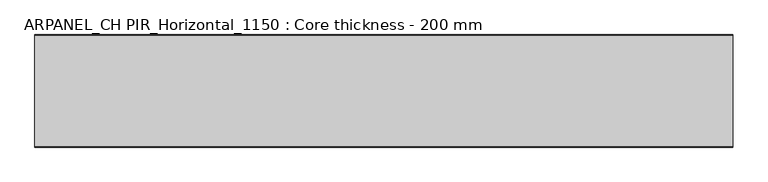
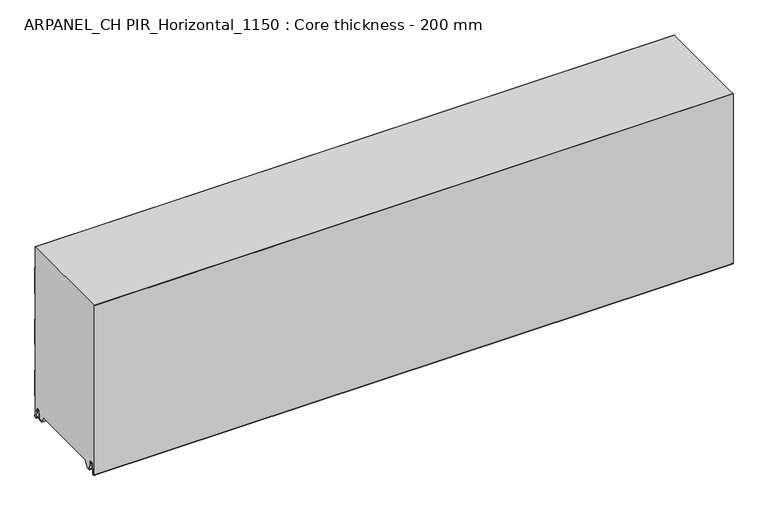
"""IFC4 building model written with IfcOpenShell, lengths in millimetres: plate geometry, ARPANEL_CH PIR_Horizontal_1150 : Core thickness - 200 mm."""

from ifc_helpers import new_model, si_unit, frame, origin, place, context, project, spatial, polyline, circle_curve, source, transform, mapped, element, save
from ifc_brep_helpers import plane_surface, cylinder_surface, revolved_surface, advanced_brep


def arpanel_ch_pir_horizontal_1150_core_thickness_200_mm_32c0531c(model_context):
    return source(origin(), model_context, "Body", "AdvancedBrep", [
        advanced_brep(
        [(620.0, -199.9996949, 3.0900682), (620.0, -193.81449, 2.7875612), (620.0, -192.197116, 19.2828169), (620.0, -189.1776715, 21.9898782), (620.0, -186.1582271, 19.2828169), (620.0, -184.7725998, 5.1510966), (620.0, -180.3830995, 5.365779), (620.0, -181.1830995, 5.365779), (620.0, -183.9764178, 5.2291629), (620.0, -185.3620451, 19.3608832), (620.0, -189.1776715, 22.7899182), (620.0, -192.9932979, 19.3608832), (620.0, -194.6106719, 2.8656275), (620.0, -199.1996949, 3.0900682), (620.0, -199.2, 350.0), (620.0, -199.9996949, 350.0), (-620.0, -199.1996949, 3.0900682), (-620.0, -194.6106719, 2.8656275), (-620.0, -192.9932979, 19.3608832), (-620.0, -189.1776715, 22.7899182), (-620.0, -185.3620451, 19.3608832), (-620.0, -183.9764178, 5.2291629), (-620.0, -181.1830995, 5.365779), (-620.0, -180.3830995, 5.365779), (-620.0, -184.7725998, 5.1510966), (-620.0, -186.1582271, 19.2828169), (-620.0, -189.1776715, 21.9898782), (-620.0, -192.197116, 19.2828169), (-620.0, -193.81449, 2.7875612), (-620.0, -199.9996949, 3.0900682), (-620.0, -199.9996949, 350.0), (-620.0, -199.2, 350.0)],
        [
            (0, 1, circle_curve(frame((620.0, -196.8996949, 3.0900682), z_axis=(1.0, 0.0, 0.0), x_axis=(0.0, 0.0, -1.0)), 3.1)),
            (1, 2),
            (2, 3, circle_curve(frame((620.0, -189.2114338, 18.9900682), z_axis=(-1.0, 0.0, 0.0), x_axis=(0.0, 0.0, -1.0)), 3.0)),
            (3, 4, circle_curve(frame((620.0, -189.1439093, 18.9900682), z_axis=(-1.0, 0.0, 0.0), x_axis=(0.0, 0.0, -1.0)), 3.0)),
            (4, 5),
            (5, 6, circle_curve(frame((620.0, -182.5830995, 5.365779), z_axis=(1.0, 0.0, 0.0), x_axis=(0.0, 0.0, -1.0)), 2.2)),
            (6, 7),
            (7, 8, circle_curve(frame((620.0, -182.5830995, 5.365779), z_axis=(-1.0, 0.0, 0.0), x_axis=(0.0, 0.0, -1.0)), 1.4)),
            (8, 9),
            (9, 10, circle_curve(frame((620.0, -189.1439093, 18.9900682), z_axis=(1.0, 0.0, 0.0), x_axis=(0.0, 0.0, -1.0)), 3.8)),
            (10, 11, circle_curve(frame((620.0, -189.2114338, 18.9900682), z_axis=(1.0, 0.0, 0.0), x_axis=(0.0, 0.0, -1.0)), 3.8)),
            (11, 12),
            (12, 13, circle_curve(frame((620.0, -196.8996949, 3.0900682), z_axis=(-1.0, 0.0, 0.0), x_axis=(0.0, 0.0, -1.0)), 2.3)),
            (13, 14),
            (14, 15),
            (15, 0),
            (16, 17, circle_curve(frame((-620.0, -196.8996949, 3.0900682), z_axis=(1.0, 0.0, 0.0), x_axis=(0.0, 0.0, -1.0)), 2.3)),
            (17, 18),
            (18, 19, circle_curve(frame((-620.0, -189.2114338, 18.9900682), z_axis=(-1.0, 0.0, 0.0), x_axis=(0.0, 0.0, -1.0)), 3.8)),
            (19, 20, circle_curve(frame((-620.0, -189.1439093, 18.9900682), z_axis=(-1.0, 0.0, 0.0), x_axis=(0.0, 0.0, -1.0)), 3.8)),
            (20, 21),
            (21, 22, circle_curve(frame((-620.0, -182.5830995, 5.365779), z_axis=(1.0, 0.0, 0.0), x_axis=(0.0, 0.0, -1.0)), 1.4)),
            (22, 23),
            (23, 24, circle_curve(frame((-620.0, -182.5830995, 5.365779), z_axis=(-1.0, 0.0, 0.0), x_axis=(0.0, 0.0, -1.0)), 2.2)),
            (24, 25),
            (25, 26, circle_curve(frame((-620.0, -189.1439093, 18.9900682), z_axis=(1.0, 0.0, 0.0), x_axis=(0.0, 0.0, -1.0)), 3.0)),
            (26, 27, circle_curve(frame((-620.0, -189.2114338, 18.9900682), z_axis=(1.0, 0.0, 0.0), x_axis=(0.0, 0.0, -1.0)), 3.0)),
            (27, 28),
            (28, 29, circle_curve(frame((-620.0, -196.8996949, 3.0900682), z_axis=(-1.0, 0.0, 0.0), x_axis=(0.0, 0.0, -1.0)), 3.1)),
            (29, 30),
            (30, 31),
            (31, 16),
            (13, 16),
            (31, 14),
            (29, 0),
            (15, 30),
            (12, 17),
            (11, 18),
            (10, 19),
            (9, 20),
            (8, 21),
            (7, 22),
            (6, 23),
            (5, 24),
            (4, 25),
            (3, 26),
            (2, 27),
            (1, 28),
        ],
        [
            plane_surface(frame((620.0, -200.0, 0.0), z_axis=(1.0, 0.0, 0.0), x_axis=(0.0, 1.0, 0.0))),
            plane_surface(frame((-620.0, -200.0, 0.0), z_axis=(-1.0, 0.0, 0.0), x_axis=(0.0, 1.0, 0.0))),
            plane_surface(frame((620.0, -199.2, 3.0900682), z_axis=(0.0, 1.0, 0.0), x_axis=(-1.0, 0.0, 0.0))),
            plane_surface(frame((620.0, -199.9996949, 1143.9000005), z_axis=(0.0, -1.0, 0.0), x_axis=(-1.0, 0.0, 0.0))),
            revolved_surface(polyline([(-620.0, -196.8996949, 0.7900682000000003), (620.0, -196.8996949, 0.7900682000000003)]), (620.0, -196.8996949, 3.0900682), (-1.0, 0.0, 0.0)),
            plane_surface(frame((620.0, -192.9932979, 19.3608832), z_axis=(0.0, -0.9952273999818314, 0.09758289975914787), x_axis=(-1.0, 0.0, 0.0))),
            cylinder_surface(frame((620.0, -189.2114338, 18.9900682), z_axis=(1.0, 0.0, 0.0), x_axis=(0.0, 0.0, -1.0)), 3.8),
            cylinder_surface(frame((620.0, -189.1439093, 18.9900682), z_axis=(1.0, 0.0, 0.0), x_axis=(0.0, 0.0, -1.0)), 3.8),
            plane_surface(frame((620.0, -183.9764178, 5.2291629), z_axis=(0.0, 0.9952273999818297, 0.09758289975916531), x_axis=(-1.0, 0.0, 0.0))),
            revolved_surface(polyline([(-620.0, -182.5830995, 3.965779), (620.0, -182.5830995, 3.965779)]), (620.0, -182.5830995, 5.365779), (-1.0, 0.0, 0.0)),
            plane_surface(frame((620.0, -180.3830995, 5.365779), z_axis=(0.0, 0.0, 1.0), x_axis=(-1.0, 0.0, 0.0))),
            cylinder_surface(frame((620.0, -182.5830995, 5.365779), z_axis=(1.0, 0.0, 0.0), x_axis=(0.0, 0.0, -1.0)), 2.2),
            plane_surface(frame((620.0, -186.1582271, 19.2828169), z_axis=(0.0, -0.9952273999818296, -0.09758289975916527), x_axis=(-1.0, 0.0, 0.0))),
            revolved_surface(polyline([(-620.0, -189.1439093, 15.9900682), (620.0, -189.1439093, 15.9900682)]), (620.0, -189.1439093, 18.9900682), (-1.0, 0.0, 0.0)),
            revolved_surface(polyline([(-620.0, -189.2114338, 15.9900682), (620.0, -189.2114338, 15.9900682)]), (620.0, -189.2114338, 18.9900682), (-1.0, 0.0, 0.0)),
            plane_surface(frame((620.0, -193.81449, 2.7875612), z_axis=(0.0, 0.9952273999818314, -0.09758289975914787), x_axis=(-1.0, 0.0, 0.0))),
            cylinder_surface(frame((620.0, -196.8996949, 3.0900682), z_axis=(1.0, 0.0, 0.0), x_axis=(0.0, 0.0, -1.0)), 3.1),
            plane_surface(frame((-620.0, 134.0533409, 350.0), z_axis=(0.0, 0.0, 1.0), x_axis=(1.0, 0.0, 0.0))),
        ],
        [
            (0, [[1, 2, 3, 4, 5, 6, 7, 8, 9, 10, 11, 12, 13, 14, 15, 16]]),
            (1, [[17, 18, 19, 20, 21, 22, 23, 24, 25, 26, 27, 28, 29, 30, 31, 32]]),
            (2, [[33, -32, 34, -14]]),
            (3, [[35, -16, 36, -30]]),
            (4, [[-13, 37, -17, -33]]),
            (5, [[-12, 38, -18, -37]]),
            (6, [[-11, 39, -19, -38]]),
            (7, [[-10, 40, -20, -39]]),
            (8, [[-9, 41, -21, -40]]),
            (9, [[-8, 42, -22, -41]]),
            (10, [[-7, 43, -23, -42]]),
            (11, [[-6, 44, -24, -43]]),
            (12, [[-5, 45, -25, -44]]),
            (13, [[-4, 46, -26, -45]]),
            (14, [[-3, 47, -27, -46]]),
            (15, [[-2, 48, -28, -47]]),
            (16, [[-1, -35, -29, -48]]),
            (17, [[-15, -34, -31, -36]]),
        ],
    ),
        advanced_brep(
        [(620.0, -169.873448, 15.1417681), (620.0, -30.126552, 15.1417681), (620.0, -23.4071318, 3.165779), (620.0, -17.4169005, 3.165779), (620.0, -19.6169005, 5.365779), (620.0, -18.8169005, 5.365779), (620.0, -16.0235822, 5.2291629), (620.0, -14.6379549, 19.3608832), (620.0, -10.8223285, 22.7899182), (620.0, -7.0067021, 19.3608832), (620.0, -5.3893281, 2.8656275), (620.0, -1.0794848, 4.1883784), (620.0, -1.5003051, 5.8439114), (620.0, -1.5003051, 42.0511837), (620.0, -1.0971009, 43.4705951), (620.0, -0.8, 44.5229805), (620.0, -0.8, 94.6827637), (620.0, -1.0986697, 95.7341795), (620.0, -1.5003051, 97.1545605), (620.0, -1.5003051, 147.3143437), (620.0, -1.0971009, 148.7337551), (620.0, -0.8, 149.7861405), (620.0, -0.8, 199.9459237), (620.0, -1.0986697, 200.9973395), (620.0, -1.5003051, 202.4177205), (620.0, -1.5003051, 252.5775037), (620.0, -1.0971009, 253.9969151), (620.0, -0.8, 255.0493005), (620.0, -0.8, 305.2090837), (620.0, -1.0986697, 306.2604995), (620.0, -1.5003051, 307.6808805), (620.0, -1.5003051, 350.0), (620.0, -199.2, 350.0), (620.0, -199.2, 3.0900682), (620.0, -194.6106719, 2.8656275), (620.0, -192.9932979, 19.3608832), (620.0, -189.1776715, 22.7899182), (620.0, -185.3620451, 19.3608832), (620.0, -183.9764178, 5.2291629), (620.0, -181.1830995, 5.365779), (620.0, -180.3830995, 5.365779), (620.0, -182.5830995, 3.165779), (620.0, -176.5928682, 3.165779), (-620.0, -30.126552, 15.1417681), (-620.0, -169.873448, 15.1417681), (-620.0, -176.5928682, 3.165779), (-620.0, -182.5830995, 3.165779), (-620.0, -180.3830995, 5.365779), (-620.0, -181.1830995, 5.365779), (-620.0, -183.9764178, 5.2291629), (-620.0, -185.3620451, 19.3608832), (-620.0, -189.1776715, 22.7899182), (-620.0, -192.9932979, 19.3608832), (-620.0, -194.6106719, 2.8656275), (-620.0, -199.1996949, 3.0900682), (-620.0, -199.2, 350.0), (-620.0, -1.5003051, 350.0), (-620.0, -1.5003051, 307.6808805), (-620.0, -1.0971009, 306.2614691), (-620.0, -0.8, 305.2090837), (-620.0, -0.8, 255.0493005), (-620.0, -1.0986697, 253.9978846), (-620.0, -1.5003051, 252.5775037), (-620.0, -1.5003051, 202.4177205), (-620.0, -1.0971009, 200.9983091), (-620.0, -0.8, 199.9459237), (-620.0, -0.8, 149.7861405), (-620.0, -1.0986697, 148.7347246), (-620.0, -1.5003051, 147.3143437), (-620.0, -1.5003051, 97.1545605), (-620.0, -1.0971009, 95.7351491), (-620.0, -0.8, 94.6827637), (-620.0, -0.8, 44.5229805), (-620.0, -1.0986697, 43.4715646), (-620.0, -1.5003051, 42.0511837), (-620.0, -1.5003051, 5.8439114), (-620.0, -1.0794848, 4.1883784), (-620.0, -5.3893281, 2.8656275), (-620.0, -7.0067021, 19.3608832), (-620.0, -10.8223285, 22.7899182), (-620.0, -14.6379549, 19.3608832), (-620.0, -16.0235822, 5.2291629), (-620.0, -18.8169005, 5.365779), (-620.0, -19.6169005, 5.365779), (-620.0, -17.4169005, 3.165779), (-620.0, -23.4071318, 3.165779)],
        [
            (0, 1),
            (1, 2),
            (2, 3),
            (3, 4, circle_curve(frame((620.0, -17.4169005, 5.365779), z_axis=(-1.0, 0.0, 0.0), x_axis=(0.0, 0.0, -1.0)), 2.2)),
            (4, 5),
            (5, 6, circle_curve(frame((620.0, -17.4169005, 5.365779), z_axis=(1.0, 0.0, 0.0), x_axis=(0.0, 0.0, -1.0)), 1.4)),
            (6, 7),
            (7, 8, circle_curve(frame((620.0, -10.8560907, 18.9900682), z_axis=(-1.0, 0.0, 0.0), x_axis=(0.0, 0.0, -1.0)), 3.8)),
            (8, 9, circle_curve(frame((620.0, -10.7885662, 18.9900682), z_axis=(-1.0, 0.0, 0.0), x_axis=(0.0, 0.0, -1.0)), 3.8)),
            (9, 10),
            (10, 11, circle_curve(frame((620.0, -3.1003051, 3.0900682), z_axis=(1.0, 0.0, 0.0), x_axis=(0.0, 0.0, -1.0)), 2.3)),
            (11, 12, circle_curve(frame((620.0, 1.9665895, 5.8439114), z_axis=(-1.0, 0.0, 0.0), x_axis=(0.0, 0.0, -1.0)), 3.4668946)),
            (12, 13),
            (13, 14, circle_curve(frame((620.0, 1.1996949, 42.0511837), z_axis=(-1.0, 0.0, 0.0), x_axis=(0.0, 0.0, -1.0)), 2.7)),
            (14, 15, circle_curve(frame((620.0, -2.8, 44.5229805), z_axis=(1.0, 0.0, 0.0), x_axis=(0.0, 0.0, -1.0)), 2.0)),
            (15, 16),
            (16, 17, circle_curve(frame((620.0, -2.8, 94.6827637), z_axis=(1.0, 0.0, 0.0), x_axis=(0.0, 0.0, -1.0)), 2.0)),
            (17, 18, circle_curve(frame((620.0, 1.1996949, 97.1545605), z_axis=(-1.0, 0.0, 0.0), x_axis=(0.0, 0.0, -1.0)), 2.7)),
            (18, 19),
            (19, 20, circle_curve(frame((620.0, 1.1996949, 147.3143437), z_axis=(-1.0, 0.0, 0.0), x_axis=(0.0, 0.0, -1.0)), 2.7)),
            (20, 21, circle_curve(frame((620.0, -2.8, 149.7861405), z_axis=(1.0, 0.0, 0.0), x_axis=(0.0, 0.0, -1.0)), 2.0)),
            (21, 22),
            (22, 23, circle_curve(frame((620.0, -2.8, 199.9459237), z_axis=(1.0, 0.0, 0.0), x_axis=(0.0, 0.0, -1.0)), 2.0)),
            (23, 24, circle_curve(frame((620.0, 1.1996949, 202.4177205), z_axis=(-1.0, 0.0, 0.0), x_axis=(0.0, 0.0, -1.0)), 2.7)),
            (24, 25),
            (25, 26, circle_curve(frame((620.0, 1.1996949, 252.5775037), z_axis=(-1.0, 0.0, 0.0), x_axis=(0.0, 0.0, -1.0)), 2.7)),
            (26, 27, circle_curve(frame((620.0, -2.8, 255.0493005), z_axis=(1.0, 0.0, 0.0), x_axis=(0.0, 0.0, -1.0)), 2.0)),
            (27, 28),
            (28, 29, circle_curve(frame((620.0, -2.8, 305.2090837), z_axis=(1.0, 0.0, 0.0), x_axis=(0.0, 0.0, -1.0)), 2.0)),
            (29, 30, circle_curve(frame((620.0, 1.1996949, 307.6808805), z_axis=(-1.0, 0.0, 0.0), x_axis=(0.0, 0.0, -1.0)), 2.7)),
            (30, 31),
            (31, 32),
            (32, 33),
            (33, 34, circle_curve(frame((620.0, -196.8996949, 3.0900682), z_axis=(1.0, 0.0, 0.0), x_axis=(0.0, 0.0, -1.0)), 2.3)),
            (34, 35),
            (35, 36, circle_curve(frame((620.0, -189.2114338, 18.9900682), z_axis=(-1.0, 0.0, 0.0), x_axis=(0.0, 0.0, -1.0)), 3.8)),
            (36, 37, circle_curve(frame((620.0, -189.1439093, 18.9900682), z_axis=(-1.0, 0.0, 0.0), x_axis=(0.0, 0.0, -1.0)), 3.8)),
            (37, 38),
            (38, 39, circle_curve(frame((620.0, -182.5830995, 5.365779), z_axis=(1.0, 0.0, 0.0), x_axis=(0.0, 0.0, -1.0)), 1.4)),
            (39, 40),
            (40, 41, circle_curve(frame((620.0, -182.5830995, 5.365779), z_axis=(-1.0, 0.0, 0.0), x_axis=(0.0, 0.0, -1.0)), 2.2)),
            (41, 42),
            (42, 0),
            (43, 44),
            (44, 45),
            (45, 46),
            (46, 47, circle_curve(frame((-620.0, -182.5830995, 5.365779), z_axis=(1.0, 0.0, 0.0), x_axis=(0.0, 0.0, -1.0)), 2.2)),
            (47, 48),
            (48, 49, circle_curve(frame((-620.0, -182.5830995, 5.365779), z_axis=(-1.0, 0.0, 0.0), x_axis=(0.0, 0.0, -1.0)), 1.4)),
            (49, 50),
            (50, 51, circle_curve(frame((-620.0, -189.1439093, 18.9900682), z_axis=(1.0, 0.0, 0.0), x_axis=(0.0, 0.0, -1.0)), 3.8)),
            (51, 52, circle_curve(frame((-620.0, -189.2114338, 18.9900682), z_axis=(1.0, 0.0, 0.0), x_axis=(0.0, 0.0, -1.0)), 3.8)),
            (52, 53),
            (53, 54, circle_curve(frame((-620.0, -196.8996949, 3.0900682), z_axis=(-1.0, 0.0, 0.0), x_axis=(0.0, 0.0, -1.0)), 2.3)),
            (54, 55),
            (55, 56),
            (56, 57),
            (57, 58, circle_curve(frame((-620.0, 1.1996949, 307.6808805), z_axis=(1.0, 0.0, 0.0), x_axis=(0.0, 0.0, -1.0)), 2.7)),
            (58, 59, circle_curve(frame((-620.0, -2.8, 305.2090837), z_axis=(-1.0, 0.0, 0.0), x_axis=(0.0, 0.0, -1.0)), 2.0)),
            (59, 60),
            (60, 61, circle_curve(frame((-620.0, -2.8, 255.0493005), z_axis=(-1.0, 0.0, 0.0), x_axis=(0.0, 0.0, -1.0)), 2.0)),
            (61, 62, circle_curve(frame((-620.0, 1.1996949, 252.5775037), z_axis=(1.0, 0.0, 0.0), x_axis=(0.0, 0.0, -1.0)), 2.7)),
            (62, 63),
            (63, 64, circle_curve(frame((-620.0, 1.1996949, 202.4177205), z_axis=(1.0, 0.0, 0.0), x_axis=(0.0, 0.0, -1.0)), 2.7)),
            (64, 65, circle_curve(frame((-620.0, -2.8, 199.9459237), z_axis=(-1.0, 0.0, 0.0), x_axis=(0.0, 0.0, -1.0)), 2.0)),
            (65, 66),
            (66, 67, circle_curve(frame((-620.0, -2.8, 149.7861405), z_axis=(-1.0, 0.0, 0.0), x_axis=(0.0, 0.0, -1.0)), 2.0)),
            (67, 68, circle_curve(frame((-620.0, 1.1996949, 147.3143437), z_axis=(1.0, 0.0, 0.0), x_axis=(0.0, 0.0, -1.0)), 2.7)),
            (68, 69),
            (69, 70, circle_curve(frame((-620.0, 1.1996949, 97.1545605), z_axis=(1.0, 0.0, 0.0), x_axis=(0.0, 0.0, -1.0)), 2.7)),
            (70, 71, circle_curve(frame((-620.0, -2.8, 94.6827637), z_axis=(-1.0, 0.0, 0.0), x_axis=(0.0, 0.0, -1.0)), 2.0)),
            (71, 72),
            (72, 73, circle_curve(frame((-620.0, -2.8, 44.5229805), z_axis=(-1.0, 0.0, 0.0), x_axis=(0.0, 0.0, -1.0)), 2.0)),
            (73, 74, circle_curve(frame((-620.0, 1.1996949, 42.0511837), z_axis=(1.0, 0.0, 0.0), x_axis=(0.0, 0.0, -1.0)), 2.7)),
            (74, 75),
            (75, 76, circle_curve(frame((-620.0, 1.9665895, 5.8439114), z_axis=(1.0, 0.0, 0.0), x_axis=(0.0, 0.0, -1.0)), 3.4668946)),
            (76, 77, circle_curve(frame((-620.0, -3.1003051, 3.0900682), z_axis=(-1.0, 0.0, 0.0), x_axis=(0.0, 0.0, -1.0)), 2.3)),
            (77, 78),
            (78, 79, circle_curve(frame((-620.0, -10.7885662, 18.9900682), z_axis=(1.0, 0.0, 0.0), x_axis=(0.0, 0.0, -1.0)), 3.8)),
            (79, 80, circle_curve(frame((-620.0, -10.8560907, 18.9900682), z_axis=(1.0, 0.0, 0.0), x_axis=(0.0, 0.0, -1.0)), 3.8)),
            (80, 81),
            (81, 82, circle_curve(frame((-620.0, -17.4169005, 5.365779), z_axis=(-1.0, 0.0, 0.0), x_axis=(0.0, 0.0, -1.0)), 1.4)),
            (82, 83),
            (83, 84, circle_curve(frame((-620.0, -17.4169005, 5.365779), z_axis=(1.0, 0.0, 0.0), x_axis=(0.0, 0.0, -1.0)), 2.2)),
            (84, 85),
            (85, 43),
            (1, 43),
            (85, 2),
            (0, 44),
            (42, 45),
            (64, 23),
            (22, 65),
            (63, 24),
            (62, 25),
            (61, 26),
            (60, 27),
            (59, 28),
            (58, 29),
            (57, 30),
            (56, 31),
            (54, 33),
            (32, 55),
            (84, 3),
            (41, 46),
            (83, 4),
            (82, 5),
            (81, 6),
            (80, 7),
            (79, 8),
            (78, 9),
            (77, 10),
            (76, 11),
            (75, 12),
            (74, 13),
            (73, 14),
            (72, 15),
            (71, 16),
            (70, 17),
            (69, 18),
            (68, 19),
            (67, 20),
            (66, 21),
            (53, 34),
            (52, 35),
            (51, 36),
            (50, 37),
            (49, 38),
            (48, 39),
            (47, 40),
        ],
        [
            plane_surface(frame((620.0, 0.0, 0.0), z_axis=(1.0, 0.0, 0.0), x_axis=(0.0, -1.0, 0.0))),
            plane_surface(frame((-620.0, 0.0, 0.0), z_axis=(-1.0, 0.0, 0.0), x_axis=(0.0, -1.0, 0.0))),
            plane_surface(frame((620.0, -30.126552, 15.1417681), z_axis=(0.0, -0.8721062992196836, -0.4893164649399687), x_axis=(-1.0, 0.0, 0.0))),
            plane_surface(frame((620.0, -169.873448, 15.1417681), z_axis=(0.0, 0.0, -1.0), x_axis=(-1.0, 0.0, 0.0))),
            plane_surface(frame((620.0, -176.8190247, 2.7627014), z_axis=(0.0, 0.8721062992196872, -0.4893164649399624), x_axis=(-1.0, 0.0, 0.0))),
            cylinder_surface(frame((750.0, -2.8, 199.9459237), z_axis=(-1.0, 0.0, 0.0), x_axis=(0.0, 0.0, -1.0)), 2.0),
            revolved_surface(polyline([(620.0, 1.1996949, 199.7177205), (-620.0, 1.1996949, 199.7177205)]), (750.0, 1.1996949, 202.4177205), (1.0, 0.0, 0.0)),
            plane_surface(frame((750.0, -1.5003051, 252.5775037), z_axis=(0.0, 1.0, 0.0), x_axis=(-1.0, 0.0, 0.0))),
            revolved_surface(polyline([(620.0, 1.1996949, 249.8775037), (-620.0, 1.1996949, 249.8775037)]), (750.0, 1.1996949, 252.5775037), (1.0, 0.0, 0.0)),
            cylinder_surface(frame((750.0, -2.8, 255.0493005), z_axis=(-1.0, 0.0, 0.0), x_axis=(0.0, 0.0, -1.0)), 2.0),
            plane_surface(frame((750.0, -0.8, 305.2090837), z_axis=(0.0, 1.0, 0.0), x_axis=(-1.0, 0.0, 0.0))),
            cylinder_surface(frame((750.0, -2.8, 305.2090837), z_axis=(-1.0, 0.0, 0.0), x_axis=(0.0, 0.0, -1.0)), 2.0),
            revolved_surface(polyline([(620.0, 1.1996949, 304.9808805), (-620.0, 1.1996949, 304.9808805)]), (750.0, 1.1996949, 307.6808805), (1.0, 0.0, 0.0)),
            plane_surface(frame((750.0, -1.5003051, 357.8406637), z_axis=(0.0, 1.0, 0.0), x_axis=(-1.0, 0.0, 0.0))),
            plane_surface(frame((750.0, -199.2, 3.0900682), z_axis=(0.0, -1.0, 0.0), x_axis=(-1.0, 0.0, 0.0))),
            plane_surface(frame((-620.0, -182.5830995, 3.165779), z_axis=(0.0, 0.0, -1.0), x_axis=(1.0, 0.0, 0.0))),
            revolved_surface(polyline([(620.0, -17.4169005, 3.1657789999999997), (-620.0, -17.4169005, 3.1657789999999997)]), (750.0, -17.4169005, 5.365779), (1.0, 0.0, 0.0)),
            plane_surface(frame((750.0, -18.8169005, 5.365779), z_axis=(0.0, 0.0, -1.0), x_axis=(-1.0, 0.0, 0.0))),
            cylinder_surface(frame((750.0, -17.4169005, 5.365779), z_axis=(-1.0, 0.0, 0.0), x_axis=(0.0, 0.0, -1.0)), 1.4),
            plane_surface(frame((750.0, -14.6379549, 19.3608832), z_axis=(0.0, 0.9952273999818297, -0.09758289975916531), x_axis=(-1.0, 0.0, 0.0))),
            revolved_surface(polyline([(620.0, -10.8560907, 15.190068199999999), (-620.0, -10.8560907, 15.190068199999999)]), (750.0, -10.8560907, 18.9900682), (1.0, 0.0, 0.0)),
            revolved_surface(polyline([(620.0, -10.7885662, 15.190068199999999), (-620.0, -10.7885662, 15.190068199999999)]), (750.0, -10.7885662, 18.9900682), (1.0, 0.0, 0.0)),
            plane_surface(frame((750.0, -5.3893281, 2.8656275), z_axis=(0.0, -0.9952273999818314, -0.09758289975914787), x_axis=(-1.0, 0.0, 0.0))),
            cylinder_surface(frame((750.0, -3.1003051, 3.0900682), z_axis=(-1.0, 0.0, 0.0), x_axis=(0.0, 0.0, -1.0)), 2.3),
            revolved_surface(polyline([(620.0, 1.9665895, 2.3770168), (-620.0, 1.9665895, 2.3770168)]), (750.0, 1.9665895, 5.8439114), (1.0, 0.0, 0.0)),
            plane_surface(frame((750.0, -1.5003051, 42.0511837), z_axis=(0.0, 1.0, 0.0), x_axis=(-1.0, 0.0, 0.0))),
            revolved_surface(polyline([(620.0, 1.1996949, 39.3511837), (-620.0, 1.1996949, 39.3511837)]), (750.0, 1.1996949, 42.0511837), (1.0, 0.0, 0.0)),
            cylinder_surface(frame((750.0, -2.8, 44.5229805), z_axis=(-1.0, 0.0, 0.0), x_axis=(0.0, 0.0, -1.0)), 2.0),
            plane_surface(frame((750.0, -0.8, 94.6827637), z_axis=(0.0, 1.0, 0.0), x_axis=(-1.0, 0.0, 0.0))),
            cylinder_surface(frame((750.0, -2.8, 94.6827637), z_axis=(-1.0, 0.0, 0.0), x_axis=(0.0, 0.0, -1.0)), 2.0),
            revolved_surface(polyline([(620.0, 1.1996949, 94.4545605), (-620.0, 1.1996949, 94.4545605)]), (750.0, 1.1996949, 97.1545605), (1.0, 0.0, 0.0)),
            plane_surface(frame((750.0, -1.5003051, 147.3143437), z_axis=(0.0, 1.0, 0.0), x_axis=(-1.0, 0.0, 0.0))),
            revolved_surface(polyline([(620.0, 1.1996949, 144.6143437), (-620.0, 1.1996949, 144.6143437)]), (750.0, 1.1996949, 147.3143437), (1.0, 0.0, 0.0)),
            cylinder_surface(frame((750.0, -2.8, 149.7861405), z_axis=(-1.0, 0.0, 0.0), x_axis=(0.0, 0.0, -1.0)), 2.0),
            plane_surface(frame((750.0, -0.8, 199.9459237), z_axis=(0.0, 1.0, 0.0), x_axis=(-1.0, 0.0, 0.0))),
            cylinder_surface(frame((750.0, -196.8996949, 3.0900682), z_axis=(-1.0, 0.0, 0.0), x_axis=(0.0, 0.0, -1.0)), 2.3),
            plane_surface(frame((750.0, -192.9932979, 19.3608832), z_axis=(0.0, 0.9952273999818314, -0.09758289975914787), x_axis=(-1.0, 0.0, 0.0))),
            revolved_surface(polyline([(620.0, -189.2114338, 15.190068199999999), (-620.0, -189.2114338, 15.190068199999999)]), (750.0, -189.2114338, 18.9900682), (1.0, 0.0, 0.0)),
            revolved_surface(polyline([(620.0, -189.1439093, 15.190068199999999), (-620.0, -189.1439093, 15.190068199999999)]), (750.0, -189.1439093, 18.9900682), (1.0, 0.0, 0.0)),
            plane_surface(frame((750.0, -183.9764178, 5.2291629), z_axis=(0.0, -0.9952273999818297, -0.09758289975916531), x_axis=(-1.0, 0.0, 0.0))),
            cylinder_surface(frame((750.0, -182.5830995, 5.365779), z_axis=(-1.0, 0.0, 0.0), x_axis=(0.0, 0.0, -1.0)), 1.4),
            plane_surface(frame((750.0, -180.3830995, 5.365779), z_axis=(0.0, 0.0, -1.0), x_axis=(-1.0, 0.0, 0.0))),
            revolved_surface(polyline([(620.0, -182.5830995, 3.1657789999999997), (-620.0, -182.5830995, 3.1657789999999997)]), (750.0, -182.5830995, 5.365779), (1.0, 0.0, 0.0)),
            plane_surface(frame((-620.0, 134.0533409, 350.0), z_axis=(0.0, 0.0, 1.0), x_axis=(1.0, 0.0, 0.0))),
        ],
        [
            (0, [[1, 2, 3, 4, 5, 6, 7, 8, 9, 10, 11, 12, 13, 14, 15, 16, 17, 18, 19, 20, 21, 22, 23, 24, 25, 26, 27, 28, 29, 30, 31, 32, 33, 34, 35, 36, 37, 38, 39, 40, 41, 42, 43]]),
            (1, [[44, 45, 46, 47, 48, 49, 50, 51, 52, 53, 54, 55, 56, 57, 58, 59, 60, 61, 62, 63, 64, 65, 66, 67, 68, 69, 70, 71, 72, 73, 74, 75, 76, 77, 78, 79, 80, 81, 82, 83, 84, 85, 86]]),
            (2, [[87, -86, 88, -2]]),
            (3, [[-1, 89, -44, -87]]),
            (4, [[-89, -43, 90, -45]]),
            (5, [[91, -23, 92, -65]]),
            (6, [[-91, -64, 93, -24]]),
            (7, [[-93, -63, 94, -25]]),
            (8, [[-94, -62, 95, -26]]),
            (9, [[-95, -61, 96, -27]]),
            (10, [[-96, -60, 97, -28]]),
            (11, [[-97, -59, 98, -29]]),
            (12, [[-98, -58, 99, -30]]),
            (13, [[-99, -57, 100, -31]]),
            (14, [[101, -33, 102, -55]]),
            (15, [[-3, -88, -85, 103]]),
            (15, [[-42, 104, -46, -90]]),
            (16, [[105, -4, -103, -84]]),
            (17, [[-105, -83, 106, -5]]),
            (18, [[-106, -82, 107, -6]]),
            (19, [[-107, -81, 108, -7]]),
            (20, [[-108, -80, 109, -8]]),
            (21, [[-109, -79, 110, -9]]),
            (22, [[-110, -78, 111, -10]]),
            (23, [[-111, -77, 112, -11]]),
            (24, [[-112, -76, 113, -12]]),
            (25, [[-113, -75, 114, -13]]),
            (26, [[-114, -74, 115, -14]]),
            (27, [[-115, -73, 116, -15]]),
            (28, [[-116, -72, 117, -16]]),
            (29, [[-117, -71, 118, -17]]),
            (30, [[-118, -70, 119, -18]]),
            (31, [[-119, -69, 120, -19]]),
            (32, [[-120, -68, 121, -20]]),
            (33, [[-121, -67, 122, -21]]),
            (34, [[-122, -66, -92, -22]]),
            (35, [[-101, -54, 123, -34]]),
            (36, [[-123, -53, 124, -35]]),
            (37, [[-124, -52, 125, -36]]),
            (38, [[-125, -51, 126, -37]]),
            (39, [[-126, -50, 127, -38]]),
            (40, [[-127, -49, 128, -39]]),
            (41, [[-128, -48, 129, -40]]),
            (42, [[-129, -47, -104, -41]]),
            (43, [[-100, -56, -102, -32]]),
        ],
    ),
        advanced_brep(
        [(-620.0, -0.7003051, 307.6808805), (-620.0, -0.4016712, 306.6295226), (-620.0, -0.0003051, 305.2090837), (-620.0, -0.0003051, 255.0493005), (-620.0, -0.4034608, 253.6299674), (-620.0, -0.7003051, 252.5775037), (-620.0, -0.7003051, 202.4177205), (-620.0, -0.4016712, 201.3663626), (-620.0, -0.0003051, 199.9459237), (-620.0, -0.0003051, 149.7861405), (-620.0, -0.4034608, 148.3668074), (-620.0, -0.7003051, 147.3143437), (-620.0, -0.7003051, 97.1545605), (-620.0, -0.4016712, 96.1032026), (-620.0, -0.0003051, 94.6827637), (-620.0, -0.0003051, 44.5229805), (-620.0, -0.4034608, 43.1036474), (-620.0, -0.7003051, 42.0511837), (-620.0, -0.7003051, 6.8391397), (-620.0, -0.2091664, 4.208691), (-620.0, -6.18551, 2.7875612), (-620.0, -7.802884, 19.2828169), (-620.0, -10.8223285, 21.9898782), (-620.0, -13.8417729, 19.2828169), (-620.0, -15.2274002, 5.1510966), (-620.0, -19.6169005, 5.365779), (-620.0, -18.8169005, 5.365779), (-620.0, -16.0235822, 5.2291629), (-620.0, -14.6379549, 19.3608832), (-620.0, -10.8223285, 22.7899182), (-620.0, -7.0067021, 19.3608832), (-620.0, -5.3893281, 2.8656275), (-620.0, -1.0794848, 4.1883784), (-620.0, -1.5003051, 5.8439114), (-620.0, -1.5003051, 42.0511837), (-620.0, -1.0971009, 43.4705951), (-620.0, -0.8, 44.5229805), (-620.0, -0.8, 94.6827637), (-620.0, -1.0986697, 95.7341795), (-620.0, -1.5003051, 97.1545605), (-620.0, -1.5003051, 147.3143437), (-620.0, -1.0971009, 148.7337551), (-620.0, -0.8, 149.7861405), (-620.0, -0.8, 199.9459237), (-620.0, -1.0986697, 200.9973395), (-620.0, -1.5003051, 202.4177205), (-620.0, -1.5003051, 252.5775037), (-620.0, -1.0971009, 253.9969151), (-620.0, -0.8, 255.0493005), (-620.0, -0.8, 305.2090837), (-620.0, -1.0986697, 306.2604995), (-620.0, -1.5003051, 307.6808805), (-620.0, -1.5003051, 350.0), (-620.0, -0.7003051, 350.0), (620.0, -1.5003051, 307.6808805), (620.0, -1.0971009, 306.2614691), (620.0, -0.8, 305.2090837), (620.0, -0.8, 255.0493005), (620.0, -1.0986697, 253.9978846), (620.0, -1.5003051, 252.5775037), (620.0, -1.5003051, 202.4177205), (620.0, -1.0971009, 200.9983091), (620.0, -0.8, 199.9459237), (620.0, -0.8, 149.7861405), (620.0, -1.0986697, 148.7347246), (620.0, -1.5003051, 147.3143437), (620.0, -1.5003051, 97.1545605), (620.0, -1.0971009, 95.7351491), (620.0, -0.8, 94.6827637), (620.0, -0.8, 44.5229805), (620.0, -1.0986697, 43.4715646), (620.0, -1.5003051, 42.0511837), (620.0, -1.5003051, 5.8439114), (620.0, -1.0794848, 4.1883784), (620.0, -5.3893281, 2.8656275), (620.0, -7.0067021, 19.3608832), (620.0, -10.8223285, 22.7899182), (620.0, -14.6379549, 19.3608832), (620.0, -16.0235822, 5.2291629), (620.0, -18.8169005, 5.365779), (620.0, -19.6169005, 5.365779), (620.0, -15.2274002, 5.1510966), (620.0, -13.8417729, 19.2828169), (620.0, -10.8223285, 21.9898782), (620.0, -7.802884, 19.2828169), (620.0, -6.18551, 2.7875612), (620.0, -0.2091664, 4.208691), (620.0, -0.7003051, 6.8391397), (620.0, -0.7003051, 42.0511837), (620.0, -0.4016712, 43.1025415), (620.0, -0.0003051, 44.5229805), (620.0, -0.0003051, 94.6827637), (620.0, -0.4034608, 96.1020968), (620.0, -0.7003051, 97.1545605), (620.0, -0.7003051, 147.3143437), (620.0, -0.4016712, 148.3657015), (620.0, -0.0003051, 149.7861405), (620.0, -0.0003051, 199.9459237), (620.0, -0.4034608, 201.3652568), (620.0, -0.7003051, 202.4177205), (620.0, -0.7003051, 252.5775037), (620.0, -0.4016712, 253.6288615), (620.0, -0.0003051, 255.0493005), (620.0, -0.0003051, 305.2090837), (620.0, -0.4034608, 306.6284168), (620.0, -0.7003051, 307.6808805), (620.0, -0.7003051, 350.0), (620.0, -1.5003051, 350.0)],
        [
            (0, 1, circle_curve(frame((-620.0, 1.2996949, 307.6808805), z_axis=(1.0, 0.0, 0.0), x_axis=(0.0, 0.0, -1.0)), 2.0)),
            (1, 2, circle_curve(frame((-620.0, -2.7003051, 305.2090837), z_axis=(-1.0, 0.0, 0.0), x_axis=(0.0, 0.0, -1.0)), 2.7)),
            (2, 3),
            (3, 4, circle_curve(frame((-620.0, -2.7003051, 255.0493005), z_axis=(-1.0, 0.0, 0.0), x_axis=(0.0, 0.0, -1.0)), 2.7)),
            (4, 5, circle_curve(frame((-620.0, 1.2996949, 252.5775037), z_axis=(1.0, 0.0, 0.0), x_axis=(0.0, 0.0, -1.0)), 2.0)),
            (5, 6),
            (6, 7, circle_curve(frame((-620.0, 1.2996949, 202.4177205), z_axis=(1.0, 0.0, 0.0), x_axis=(0.0, 0.0, -1.0)), 2.0)),
            (7, 8, circle_curve(frame((-620.0, -2.7003051, 199.9459237), z_axis=(-1.0, 0.0, 0.0), x_axis=(0.0, 0.0, -1.0)), 2.7)),
            (8, 9),
            (9, 10, circle_curve(frame((-620.0, -2.7003051, 149.7861405), z_axis=(-1.0, 0.0, 0.0), x_axis=(0.0, 0.0, -1.0)), 2.7)),
            (10, 11, circle_curve(frame((-620.0, 1.2996949, 147.3143437), z_axis=(1.0, 0.0, 0.0), x_axis=(0.0, 0.0, -1.0)), 2.0)),
            (11, 12),
            (12, 13, circle_curve(frame((-620.0, 1.2996949, 97.1545605), z_axis=(1.0, 0.0, 0.0), x_axis=(0.0, 0.0, -1.0)), 2.0)),
            (13, 14, circle_curve(frame((-620.0, -2.7003051, 94.6827637), z_axis=(-1.0, 0.0, 0.0), x_axis=(0.0, 0.0, -1.0)), 2.7)),
            (14, 15),
            (15, 16, circle_curve(frame((-620.0, -2.7003051, 44.5229805), z_axis=(-1.0, 0.0, 0.0), x_axis=(0.0, 0.0, -1.0)), 2.7)),
            (16, 17, circle_curve(frame((-620.0, 1.2996949, 42.0511837), z_axis=(1.0, 0.0, 0.0), x_axis=(0.0, 0.0, -1.0)), 2.0)),
            (17, 18),
            (18, 19, circle_curve(frame((-620.0, 6.5893647, 6.8391397), z_axis=(1.0, 0.0, 0.0), x_axis=(0.0, 0.0, -1.0)), 7.2896698)),
            (19, 20, circle_curve(frame((-620.0, -3.1003051, 3.0900682), z_axis=(-1.0, 0.0, 0.0), x_axis=(0.0, 0.0, -1.0)), 3.1)),
            (20, 21),
            (21, 22, circle_curve(frame((-620.0, -10.7885662, 18.9900682), z_axis=(1.0, 0.0, 0.0), x_axis=(0.0, 0.0, -1.0)), 3.0)),
            (22, 23, circle_curve(frame((-620.0, -10.8560907, 18.9900682), z_axis=(1.0, 0.0, 0.0), x_axis=(0.0, 0.0, -1.0)), 3.0)),
            (23, 24),
            (24, 25, circle_curve(frame((-620.0, -17.4169005, 5.365779), z_axis=(-1.0, 0.0, 0.0), x_axis=(0.0, 0.0, -1.0)), 2.2)),
            (25, 26),
            (26, 27, circle_curve(frame((-620.0, -17.4169005, 5.365779), z_axis=(1.0, 0.0, 0.0), x_axis=(0.0, 0.0, -1.0)), 1.4)),
            (27, 28),
            (28, 29, circle_curve(frame((-620.0, -10.8560907, 18.9900682), z_axis=(-1.0, 0.0, 0.0), x_axis=(0.0, 0.0, -1.0)), 3.8)),
            (29, 30, circle_curve(frame((-620.0, -10.7885662, 18.9900682), z_axis=(-1.0, 0.0, 0.0), x_axis=(0.0, 0.0, -1.0)), 3.8)),
            (30, 31),
            (31, 32, circle_curve(frame((-620.0, -3.1003051, 3.0900682), z_axis=(1.0, 0.0, 0.0), x_axis=(0.0, 0.0, -1.0)), 2.3)),
            (32, 33, circle_curve(frame((-620.0, 1.9665895, 5.8439114), z_axis=(-1.0, 0.0, 0.0), x_axis=(0.0, 0.0, -1.0)), 3.4668946)),
            (33, 34),
            (34, 35, circle_curve(frame((-620.0, 1.1996949, 42.0511837), z_axis=(-1.0, 0.0, 0.0), x_axis=(0.0, 0.0, -1.0)), 2.7)),
            (35, 36, circle_curve(frame((-620.0, -2.8, 44.5229805), z_axis=(1.0, 0.0, 0.0), x_axis=(0.0, 0.0, -1.0)), 2.0)),
            (36, 37),
            (37, 38, circle_curve(frame((-620.0, -2.8, 94.6827637), z_axis=(1.0, 0.0, 0.0), x_axis=(0.0, 0.0, -1.0)), 2.0)),
            (38, 39, circle_curve(frame((-620.0, 1.1996949, 97.1545605), z_axis=(-1.0, 0.0, 0.0), x_axis=(0.0, 0.0, -1.0)), 2.7)),
            (39, 40),
            (40, 41, circle_curve(frame((-620.0, 1.1996949, 147.3143437), z_axis=(-1.0, 0.0, 0.0), x_axis=(0.0, 0.0, -1.0)), 2.7)),
            (41, 42, circle_curve(frame((-620.0, -2.8, 149.7861405), z_axis=(1.0, 0.0, 0.0), x_axis=(0.0, 0.0, -1.0)), 2.0)),
            (42, 43),
            (43, 44, circle_curve(frame((-620.0, -2.8, 199.9459237), z_axis=(1.0, 0.0, 0.0), x_axis=(0.0, 0.0, -1.0)), 2.0)),
            (44, 45, circle_curve(frame((-620.0, 1.1996949, 202.4177205), z_axis=(-1.0, 0.0, 0.0), x_axis=(0.0, 0.0, -1.0)), 2.7)),
            (45, 46),
            (46, 47, circle_curve(frame((-620.0, 1.1996949, 252.5775037), z_axis=(-1.0, 0.0, 0.0), x_axis=(0.0, 0.0, -1.0)), 2.7)),
            (47, 48, circle_curve(frame((-620.0, -2.8, 255.0493005), z_axis=(1.0, 0.0, 0.0), x_axis=(0.0, 0.0, -1.0)), 2.0)),
            (48, 49),
            (49, 50, circle_curve(frame((-620.0, -2.8, 305.2090837), z_axis=(1.0, 0.0, 0.0), x_axis=(0.0, 0.0, -1.0)), 2.0)),
            (50, 51, circle_curve(frame((-620.0, 1.1996949, 307.6808805), z_axis=(-1.0, 0.0, 0.0), x_axis=(0.0, 0.0, -1.0)), 2.7)),
            (51, 52),
            (52, 53),
            (53, 0),
            (54, 55, circle_curve(frame((620.0, 1.1996949, 307.6808805), z_axis=(1.0, 0.0, 0.0), x_axis=(0.0, 0.0, -1.0)), 2.7)),
            (55, 56, circle_curve(frame((620.0, -2.8, 305.2090837), z_axis=(-1.0, 0.0, 0.0), x_axis=(0.0, 0.0, -1.0)), 2.0)),
            (56, 57),
            (57, 58, circle_curve(frame((620.0, -2.8, 255.0493005), z_axis=(-1.0, 0.0, 0.0), x_axis=(0.0, 0.0, -1.0)), 2.0)),
            (58, 59, circle_curve(frame((620.0, 1.1996949, 252.5775037), z_axis=(1.0, 0.0, 0.0), x_axis=(0.0, 0.0, -1.0)), 2.7)),
            (59, 60),
            (60, 61, circle_curve(frame((620.0, 1.1996949, 202.4177205), z_axis=(1.0, 0.0, 0.0), x_axis=(0.0, 0.0, -1.0)), 2.7)),
            (61, 62, circle_curve(frame((620.0, -2.8, 199.9459237), z_axis=(-1.0, 0.0, 0.0), x_axis=(0.0, 0.0, -1.0)), 2.0)),
            (62, 63),
            (63, 64, circle_curve(frame((620.0, -2.8, 149.7861405), z_axis=(-1.0, 0.0, 0.0), x_axis=(0.0, 0.0, -1.0)), 2.0)),
            (64, 65, circle_curve(frame((620.0, 1.1996949, 147.3143437), z_axis=(1.0, 0.0, 0.0), x_axis=(0.0, 0.0, -1.0)), 2.7)),
            (65, 66),
            (66, 67, circle_curve(frame((620.0, 1.1996949, 97.1545605), z_axis=(1.0, 0.0, 0.0), x_axis=(0.0, 0.0, -1.0)), 2.7)),
            (67, 68, circle_curve(frame((620.0, -2.8, 94.6827637), z_axis=(-1.0, 0.0, 0.0), x_axis=(0.0, 0.0, -1.0)), 2.0)),
            (68, 69),
            (69, 70, circle_curve(frame((620.0, -2.8, 44.5229805), z_axis=(-1.0, 0.0, 0.0), x_axis=(0.0, 0.0, -1.0)), 2.0)),
            (70, 71, circle_curve(frame((620.0, 1.1996949, 42.0511837), z_axis=(1.0, 0.0, 0.0), x_axis=(0.0, 0.0, -1.0)), 2.7)),
            (71, 72),
            (72, 73, circle_curve(frame((620.0, 1.9665895, 5.8439114), z_axis=(1.0, 0.0, 0.0), x_axis=(0.0, 0.0, -1.0)), 3.4668946)),
            (73, 74, circle_curve(frame((620.0, -3.1003051, 3.0900682), z_axis=(-1.0, 0.0, 0.0), x_axis=(0.0, 0.0, -1.0)), 2.3)),
            (74, 75),
            (75, 76, circle_curve(frame((620.0, -10.7885662, 18.9900682), z_axis=(1.0, 0.0, 0.0), x_axis=(0.0, 0.0, -1.0)), 3.8)),
            (76, 77, circle_curve(frame((620.0, -10.8560907, 18.9900682), z_axis=(1.0, 0.0, 0.0), x_axis=(0.0, 0.0, -1.0)), 3.8)),
            (77, 78),
            (78, 79, circle_curve(frame((620.0, -17.4169005, 5.365779), z_axis=(-1.0, 0.0, 0.0), x_axis=(0.0, 0.0, -1.0)), 1.4)),
            (79, 80),
            (80, 81, circle_curve(frame((620.0, -17.4169005, 5.365779), z_axis=(1.0, 0.0, 0.0), x_axis=(0.0, 0.0, -1.0)), 2.2)),
            (81, 82),
            (82, 83, circle_curve(frame((620.0, -10.8560907, 18.9900682), z_axis=(-1.0, 0.0, 0.0), x_axis=(0.0, 0.0, -1.0)), 3.0)),
            (83, 84, circle_curve(frame((620.0, -10.7885662, 18.9900682), z_axis=(-1.0, 0.0, 0.0), x_axis=(0.0, 0.0, -1.0)), 3.0)),
            (84, 85),
            (85, 86, circle_curve(frame((620.0, -3.1003051, 3.0900682), z_axis=(1.0, 0.0, 0.0), x_axis=(0.0, 0.0, -1.0)), 3.1)),
            (86, 87, circle_curve(frame((620.0, 6.5893647, 6.8391397), z_axis=(-1.0, 0.0, 0.0), x_axis=(0.0, 0.0, -1.0)), 7.2896698)),
            (87, 88),
            (88, 89, circle_curve(frame((620.0, 1.2996949, 42.0511837), z_axis=(-1.0, 0.0, 0.0), x_axis=(0.0, 0.0, -1.0)), 2.0)),
            (89, 90, circle_curve(frame((620.0, -2.7003051, 44.5229805), z_axis=(1.0, 0.0, 0.0), x_axis=(0.0, 0.0, -1.0)), 2.7)),
            (90, 91),
            (91, 92, circle_curve(frame((620.0, -2.7003051, 94.6827637), z_axis=(1.0, 0.0, 0.0), x_axis=(0.0, 0.0, -1.0)), 2.7)),
            (92, 93, circle_curve(frame((620.0, 1.2996949, 97.1545605), z_axis=(-1.0, 0.0, 0.0), x_axis=(0.0, 0.0, -1.0)), 2.0)),
            (93, 94),
            (94, 95, circle_curve(frame((620.0, 1.2996949, 147.3143437), z_axis=(-1.0, 0.0, 0.0), x_axis=(0.0, 0.0, -1.0)), 2.0)),
            (95, 96, circle_curve(frame((620.0, -2.7003051, 149.7861405), z_axis=(1.0, 0.0, 0.0), x_axis=(0.0, 0.0, -1.0)), 2.7)),
            (96, 97),
            (97, 98, circle_curve(frame((620.0, -2.7003051, 199.9459237), z_axis=(1.0, 0.0, 0.0), x_axis=(0.0, 0.0, -1.0)), 2.7)),
            (98, 99, circle_curve(frame((620.0, 1.2996949, 202.4177205), z_axis=(-1.0, 0.0, 0.0), x_axis=(0.0, 0.0, -1.0)), 2.0)),
            (99, 100),
            (100, 101, circle_curve(frame((620.0, 1.2996949, 252.5775037), z_axis=(-1.0, 0.0, 0.0), x_axis=(0.0, 0.0, -1.0)), 2.0)),
            (101, 102, circle_curve(frame((620.0, -2.7003051, 255.0493005), z_axis=(1.0, 0.0, 0.0), x_axis=(0.0, 0.0, -1.0)), 2.7)),
            (102, 103),
            (103, 104, circle_curve(frame((620.0, -2.7003051, 305.2090837), z_axis=(1.0, 0.0, 0.0), x_axis=(0.0, 0.0, -1.0)), 2.7)),
            (104, 105, circle_curve(frame((620.0, 1.2996949, 307.6808805), z_axis=(-1.0, 0.0, 0.0), x_axis=(0.0, 0.0, -1.0)), 2.0)),
            (105, 106),
            (106, 107),
            (107, 54),
            (51, 54),
            (107, 52),
            (50, 55),
            (49, 56),
            (48, 57),
            (47, 58),
            (46, 59),
            (45, 60),
            (44, 61),
            (43, 62),
            (31, 74),
            (73, 32),
            (30, 75),
            (29, 76),
            (28, 77),
            (27, 78),
            (26, 79),
            (25, 80),
            (24, 81),
            (23, 82),
            (22, 83),
            (21, 84),
            (20, 85),
            (19, 86),
            (7, 98),
            (97, 8),
            (6, 99),
            (5, 100),
            (4, 101),
            (3, 102),
            (2, 103),
            (1, 104),
            (0, 105),
            (53, 106),
            (42, 63),
            (41, 64),
            (40, 65),
            (39, 66),
            (38, 67),
            (37, 68),
            (36, 69),
            (35, 70),
            (34, 71),
            (33, 72),
            (18, 87),
            (17, 88),
            (16, 89),
            (15, 90),
            (14, 91),
            (13, 92),
            (12, 93),
            (11, 94),
            (10, 95),
            (9, 96),
        ],
        [
            plane_surface(frame((-620.0, 0.0, 0.0), z_axis=(-1.0, 0.0, 0.0), x_axis=(0.0, -1.0, 0.0))),
            plane_surface(frame((620.0, 0.0, 0.0), z_axis=(1.0, 0.0, 0.0), x_axis=(0.0, -1.0, 0.0))),
            plane_surface(frame((-620.0, -1.5003051, 307.6808805), z_axis=(0.0, -1.0, 0.0), x_axis=(1.0, 0.0, 0.0))),
            cylinder_surface(frame((-620.0, 1.1996949, 307.6808805), z_axis=(-1.0, 0.0, 0.0), x_axis=(0.0, 0.0, -1.0)), 2.7),
            revolved_surface(polyline([(620.0, -2.8, 303.2090837), (-620.0, -2.8, 303.2090837)]), (-620.0, -2.8, 305.2090837), (1.0, 0.0, 0.0)),
            plane_surface(frame((-620.0, -0.8, 255.0493005), z_axis=(0.0, -1.0, 0.0), x_axis=(1.0, 0.0, 0.0))),
            revolved_surface(polyline([(620.0, -2.8, 253.0493005), (-620.0, -2.8, 253.0493005)]), (-620.0, -2.8, 255.0493005), (1.0, 0.0, 0.0)),
            cylinder_surface(frame((-620.0, 1.1996949, 252.5775037), z_axis=(-1.0, 0.0, 0.0), x_axis=(0.0, 0.0, -1.0)), 2.7),
            plane_surface(frame((-620.0, -1.5003051, 202.4177205), z_axis=(0.0, -1.0, 0.0), x_axis=(1.0, 0.0, 0.0))),
            cylinder_surface(frame((-620.0, 1.1996949, 202.4177205), z_axis=(-1.0, 0.0, 0.0), x_axis=(0.0, 0.0, -1.0)), 2.7),
            revolved_surface(polyline([(620.0, -2.8, 197.9459237), (-620.0, -2.8, 197.9459237)]), (-620.0, -2.8, 199.9459237), (1.0, 0.0, 0.0)),
            revolved_surface(polyline([(620.0, -3.1003051, 0.7900682000000003), (-620.0, -3.1003051, 0.7900682000000003)]), (-620.0, -3.1003051, 3.0900682), (1.0, 0.0, 0.0)),
            plane_surface(frame((-620.0, -7.0067021, 19.3608832), z_axis=(0.0, 0.9952273999818314, 0.09758289975914787), x_axis=(1.0, 0.0, 0.0))),
            cylinder_surface(frame((-620.0, -10.7885662, 18.9900682), z_axis=(-1.0, 0.0, 0.0), x_axis=(0.0, 0.0, -1.0)), 3.8),
            cylinder_surface(frame((-620.0, -10.8560907, 18.9900682), z_axis=(-1.0, 0.0, 0.0), x_axis=(0.0, 0.0, -1.0)), 3.8),
            plane_surface(frame((-620.0, -16.0235822, 5.2291629), z_axis=(0.0, -0.9952273999818297, 0.09758289975916531), x_axis=(1.0, 0.0, 0.0))),
            revolved_surface(polyline([(620.0, -17.4169005, 3.965779), (-620.0, -17.4169005, 3.965779)]), (-620.0, -17.4169005, 5.365779), (1.0, 0.0, 0.0)),
            plane_surface(frame((-620.0, -19.6169005, 5.365779), z_axis=(0.0, 0.0, 1.0), x_axis=(1.0, 0.0, 0.0))),
            cylinder_surface(frame((-620.0, -17.4169005, 5.365779), z_axis=(-1.0, 0.0, 0.0), x_axis=(0.0, 0.0, -1.0)), 2.2),
            plane_surface(frame((-620.0, -13.8417729, 19.2828169), z_axis=(0.0, 0.9952273999818296, -0.09758289975916527), x_axis=(1.0, 0.0, 0.0))),
            revolved_surface(polyline([(620.0, -10.8560907, 15.9900682), (-620.0, -10.8560907, 15.9900682)]), (-620.0, -10.8560907, 18.9900682), (1.0, 0.0, 0.0)),
            revolved_surface(polyline([(620.0, -10.7885662, 15.9900682), (-620.0, -10.7885662, 15.9900682)]), (-620.0, -10.7885662, 18.9900682), (1.0, 0.0, 0.0)),
            plane_surface(frame((-620.0, -6.18551, 2.7875612), z_axis=(0.0, -0.9952273999818314, -0.09758289975914787), x_axis=(1.0, 0.0, 0.0))),
            cylinder_surface(frame((-620.0, -3.1003051, 3.0900682), z_axis=(-1.0, 0.0, 0.0), x_axis=(0.0, 0.0, -1.0)), 3.1),
            cylinder_surface(frame((-620.0, -2.7003051, 199.9459237), z_axis=(-1.0, 0.0, 0.0), x_axis=(0.0, 0.0, -1.0)), 2.7),
            revolved_surface(polyline([(620.0, 1.2996949, 200.4177205), (-620.0, 1.2996949, 200.4177205)]), (-620.0, 1.2996949, 202.4177205), (1.0, 0.0, 0.0)),
            plane_surface(frame((-620.0, -0.7003051, 252.5775037), z_axis=(0.0, 1.0, 0.0), x_axis=(1.0, 0.0, 0.0))),
            revolved_surface(polyline([(620.0, 1.2996949, 250.5775037), (-620.0, 1.2996949, 250.5775037)]), (-620.0, 1.2996949, 252.5775037), (1.0, 0.0, 0.0)),
            cylinder_surface(frame((-620.0, -2.7003051, 255.0493005), z_axis=(-1.0, 0.0, 0.0), x_axis=(0.0, 0.0, -1.0)), 2.7),
            plane_surface(frame((-620.0, -0.0003051, 305.2090837), z_axis=(0.0, 1.0, 0.0), x_axis=(1.0, 0.0, 0.0))),
            cylinder_surface(frame((-620.0, -2.7003051, 305.2090837), z_axis=(-1.0, 0.0, 0.0), x_axis=(0.0, 0.0, -1.0)), 2.7),
            revolved_surface(polyline([(620.0, 1.2996949, 305.6808805), (-620.0, 1.2996949, 305.6808805)]), (-620.0, 1.2996949, 307.6808805), (1.0, 0.0, 0.0)),
            plane_surface(frame((-620.0, -0.7003051, 357.8406637), z_axis=(0.0, 1.0, 0.0), x_axis=(1.0, 0.0, 0.0))),
            plane_surface(frame((-620.0, -0.8, 149.7861405), z_axis=(0.0, -1.0, 0.0), x_axis=(1.0, 0.0, 0.0))),
            revolved_surface(polyline([(620.0, -2.8, 147.7861405), (-620.0, -2.8, 147.7861405)]), (-620.0, -2.8, 149.7861405), (1.0, 0.0, 0.0)),
            cylinder_surface(frame((-620.0, 1.1996949, 147.3143437), z_axis=(-1.0, 0.0, 0.0), x_axis=(0.0, 0.0, -1.0)), 2.7),
            plane_surface(frame((-620.0, -1.5003051, 97.1545605), z_axis=(0.0, -1.0, 0.0), x_axis=(1.0, 0.0, 0.0))),
            cylinder_surface(frame((-620.0, 1.1996949, 97.1545605), z_axis=(-1.0, 0.0, 0.0), x_axis=(0.0, 0.0, -1.0)), 2.7),
            revolved_surface(polyline([(620.0, -2.8, 92.6827637), (-620.0, -2.8, 92.6827637)]), (-620.0, -2.8, 94.6827637), (1.0, 0.0, 0.0)),
            plane_surface(frame((-620.0, -0.8, 44.5229805), z_axis=(0.0, -1.0, 0.0), x_axis=(1.0, 0.0, 0.0))),
            revolved_surface(polyline([(620.0, -2.8, 42.5229805), (-620.0, -2.8, 42.5229805)]), (-620.0, -2.8, 44.5229805), (1.0, 0.0, 0.0)),
            cylinder_surface(frame((-620.0, 1.1996949, 42.0511837), z_axis=(-1.0, 0.0, 0.0), x_axis=(0.0, 0.0, -1.0)), 2.7),
            plane_surface(frame((-620.0, -1.5003051, 5.8439114), z_axis=(0.0, -1.0, 0.0), x_axis=(1.0, 0.0, 0.0))),
            cylinder_surface(frame((-620.0, 1.9665895, 5.8439114), z_axis=(-1.0, 0.0, 0.0), x_axis=(0.0, 0.0, -1.0)), 3.4668946),
            revolved_surface(polyline([(620.0, 6.5893647, -0.4505301000000008), (-620.0, 6.5893647, -0.4505301000000008)]), (-620.0, 6.5893647, 6.8391397), (1.0, 0.0, 0.0)),
            plane_surface(frame((-620.0, -0.7003051, 42.0511837), z_axis=(0.0, 1.0, 0.0), x_axis=(1.0, 0.0, 0.0))),
            revolved_surface(polyline([(620.0, 1.2996949, 40.0511837), (-620.0, 1.2996949, 40.0511837)]), (-620.0, 1.2996949, 42.0511837), (1.0, 0.0, 0.0)),
            cylinder_surface(frame((-620.0, -2.7003051, 44.5229805), z_axis=(-1.0, 0.0, 0.0), x_axis=(0.0, 0.0, -1.0)), 2.7),
            plane_surface(frame((-620.0, -0.0003051, 94.6827637), z_axis=(0.0, 1.0, 0.0), x_axis=(1.0, 0.0, 0.0))),
            cylinder_surface(frame((-620.0, -2.7003051, 94.6827637), z_axis=(-1.0, 0.0, 0.0), x_axis=(0.0, 0.0, -1.0)), 2.7),
            revolved_surface(polyline([(620.0, 1.2996949, 95.1545605), (-620.0, 1.2996949, 95.1545605)]), (-620.0, 1.2996949, 97.1545605), (1.0, 0.0, 0.0)),
            plane_surface(frame((-620.0, -0.7003051, 147.3143437), z_axis=(0.0, 1.0, 0.0), x_axis=(1.0, 0.0, 0.0))),
            revolved_surface(polyline([(620.0, 1.2996949, 145.3143437), (-620.0, 1.2996949, 145.3143437)]), (-620.0, 1.2996949, 147.3143437), (1.0, 0.0, 0.0)),
            cylinder_surface(frame((-620.0, -2.7003051, 149.7861405), z_axis=(-1.0, 0.0, 0.0), x_axis=(0.0, 0.0, -1.0)), 2.7),
            plane_surface(frame((-620.0, -0.0003051, 199.9459237), z_axis=(0.0, 1.0, 0.0), x_axis=(1.0, 0.0, 0.0))),
            plane_surface(frame((-620.0, 134.0533409, 350.0), z_axis=(0.0, 0.0, 1.0), x_axis=(1.0, 0.0, 0.0))),
        ],
        [
            (0, [[1, 2, 3, 4, 5, 6, 7, 8, 9, 10, 11, 12, 13, 14, 15, 16, 17, 18, 19, 20, 21, 22, 23, 24, 25, 26, 27, 28, 29, 30, 31, 32, 33, 34, 35, 36, 37, 38, 39, 40, 41, 42, 43, 44, 45, 46, 47, 48, 49, 50, 51, 52, 53, 54]]),
            (1, [[55, 56, 57, 58, 59, 60, 61, 62, 63, 64, 65, 66, 67, 68, 69, 70, 71, 72, 73, 74, 75, 76, 77, 78, 79, 80, 81, 82, 83, 84, 85, 86, 87, 88, 89, 90, 91, 92, 93, 94, 95, 96, 97, 98, 99, 100, 101, 102, 103, 104, 105, 106, 107, 108]]),
            (2, [[109, -108, 110, -52]]),
            (3, [[-51, 111, -55, -109]]),
            (4, [[-50, 112, -56, -111]]),
            (5, [[-49, 113, -57, -112]]),
            (6, [[-48, 114, -58, -113]]),
            (7, [[-47, 115, -59, -114]]),
            (8, [[-46, 116, -60, -115]]),
            (9, [[-45, 117, -61, -116]]),
            (10, [[-44, 118, -62, -117]]),
            (11, [[-32, 119, -74, 120]]),
            (12, [[-31, 121, -75, -119]]),
            (13, [[-30, 122, -76, -121]]),
            (14, [[-29, 123, -77, -122]]),
            (15, [[-28, 124, -78, -123]]),
            (16, [[-27, 125, -79, -124]]),
            (17, [[-26, 126, -80, -125]]),
            (18, [[-25, 127, -81, -126]]),
            (19, [[-24, 128, -82, -127]]),
            (20, [[-23, 129, -83, -128]]),
            (21, [[-22, 130, -84, -129]]),
            (22, [[-21, 131, -85, -130]]),
            (23, [[-20, 132, -86, -131]]),
            (24, [[-8, 133, -98, 134]]),
            (25, [[-7, 135, -99, -133]]),
            (26, [[-6, 136, -100, -135]]),
            (27, [[-5, 137, -101, -136]]),
            (28, [[-4, 138, -102, -137]]),
            (29, [[-3, 139, -103, -138]]),
            (30, [[-2, 140, -104, -139]]),
            (31, [[-1, 141, -105, -140]]),
            (32, [[-141, -54, 142, -106]]),
            (33, [[-43, 143, -63, -118]]),
            (34, [[-42, 144, -64, -143]]),
            (35, [[-41, 145, -65, -144]]),
            (36, [[-40, 146, -66, -145]]),
            (37, [[-39, 147, -67, -146]]),
            (38, [[-38, 148, -68, -147]]),
            (39, [[-37, 149, -69, -148]]),
            (40, [[-36, 150, -70, -149]]),
            (41, [[-35, 151, -71, -150]]),
            (42, [[-34, 152, -72, -151]]),
            (43, [[-33, -120, -73, -152]]),
            (44, [[-19, 153, -87, -132]]),
            (45, [[-18, 154, -88, -153]]),
            (46, [[-17, 155, -89, -154]]),
            (47, [[-16, 156, -90, -155]]),
            (48, [[-15, 157, -91, -156]]),
            (49, [[-14, 158, -92, -157]]),
            (50, [[-13, 159, -93, -158]]),
            (51, [[-12, 160, -94, -159]]),
            (52, [[-11, 161, -95, -160]]),
            (53, [[-10, 162, -96, -161]]),
            (54, [[-9, -134, -97, -162]]),
            (55, [[-53, -110, -107, -142]]),
        ],
    ),
    ])


if __name__ == "__main__":
    model = new_model("IFC4")
    model_context = context("Model", 3, world=origin())
    ifc_project = project(units=[si_unit("LENGTHUNIT", "METRE", prefix="MILLI")], contexts=[model_context])
    site = spatial("IfcSite", under=ifc_project)
    building = spatial("IfcBuilding", under=site)
    placement = place(None, origin())
    arpanel_ch_pir_horizontal_1150_core_thickness_200_mm_shape = arpanel_ch_pir_horizontal_1150_core_thickness_200_mm_32c0531c(model_context)
    element("IfcPlate", 1, ObjectType="ARPANEL_CH PIR_Horizontal_1150 : Core thickness - 200 mm", at=placement, inside=building, context=model_context, shape_type="MappedRepresentation", body=[
        mapped(arpanel_ch_pir_horizontal_1150_core_thickness_200_mm_shape, transform((0.0, 0.0, 0.0), x_axis=(1.0, 0.0, 0.0), y_axis=(0.0, 1.0, 0.0), z_axis=(0.0, 0.0, 1.0))),
    ])
    save(model, "model.ifc")
